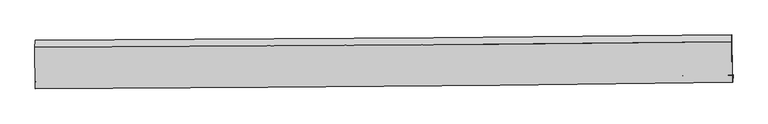
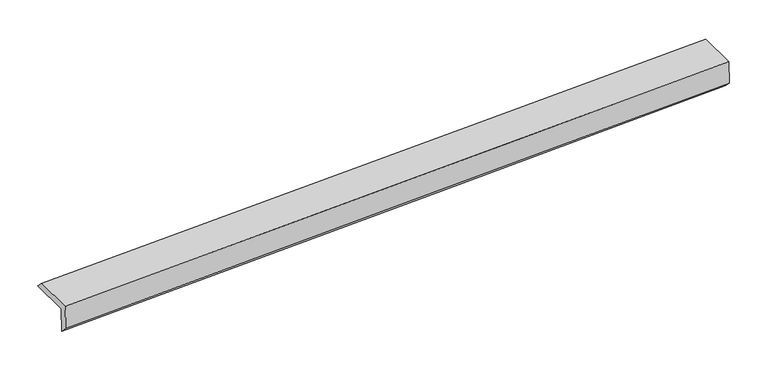
"""IFC4 building model written with IfcOpenShell, lengths in millimetres: proxy geometry."""

from ifc_helpers import new_model, si_unit, frame, origin, place, context, project, spatial, source, transform, mapped, element, save
from ifc_brep_helpers import plane_surface, spline_curve, spline_surface, advanced_brep


def generic_models_a4e368c0(model_context):
    return source(origin(), model_context, "Body", "AdvancedBrep", [
        advanced_brep(
        [(-5941.6295407, -1862.9317545, 1433.198532), (-5954.8541128, -1868.6109307, 1840.5983382), (5393.9133244, -1762.783051, 2220.4712447), (5407.1378965, -1757.1038747, 1813.0714385), (-5944.6701746, -1982.2388154, 1559.086514), (5404.0972626, -1876.4109357, 1938.9594205), (-5957.6580182, -1987.8163307, 1959.193594), (5391.4338259, -1881.8491373, 2329.0727349), (-5963.9956007, -1309.3381644, 1968.4458942), (5385.2830354, -1223.3682394, 2338.0523354), (-5961.1569952, -1193.847628, 1849.7999793), (5387.7972341, -1108.0170166, 2229.4001862)],
        [
            (0, 1),
            (1, 2, spline_curve(3, [(-5954.8541128, -1868.6109307, 1840.5983382), (-3791.061152684, -1854.492770253, 1908.485056862), (-1627.384888609, -1836.910151165, 1978.965079941), (2155.486265099, -1800.11043342, 2106.72998379), (3774.732479839, -1782.4170924, 2162.874262998), (5393.9133244, -1762.783051, 2220.4712447)], [4, 2, 4], [0.0, 21.30804757812098, 37.256010736734])),
            (2, 3),
            (3, 0, spline_curve(3, [(5407.1378965, -1757.1038747, 1813.0714385), (3787.862517198, -1776.778513235, 1758.386720198), (2168.562234222, -1794.495073344, 1703.908068691), (-1614.340691412, -1831.308435483, 1577.121970901), (-3777.962888297, -1848.867835819, 1504.976320333), (-5941.6295407, -1862.9317545, 1433.198532)], [4, 2, 4], [0.0, 15.947963158613017, 37.256010736734])),
            (4, 0),
            (3, 5),
            (5, 4, spline_curve(3, [(5404.0972626, -1876.4109357, 1938.9594205), (3784.821883003, -1896.085574265, 1884.274702356), (2165.521600608, -1913.802134011, 1829.79605051), (-1617.381325695, -1950.615496694, 1703.009952909), (-3781.003521832, -1968.174896516, 1630.864302362), (-5944.6701746, -1982.2388154, 1559.086514)], [4, 2, 4], [0.0, 15.947960166746501, 37.25600374743951])),
            (6, 4),
            (5, 7),
            (7, 6, spline_curve(3, [(5391.4338259, -1881.8491373, 2329.0727349), (3772.098556597, -1901.549495114, 2276.232999397), (2152.744206066, -1919.289273906, 2223.419975642), (-1630.271426605, -1956.15103729, 2100.105955795), (-3793.947691349, -1973.733656414, 2029.625933133), (-5957.6580182, -1987.8163307, 1959.193594)], [4, 2, 4], [0.0, 15.947955411002155, 37.25599263755289])),
            (8, 6),
            (7, 9),
            (9, 8, spline_curve(3, [(5385.2830354, -1223.3682394, 2338.0523354), (3765.913281829, -1239.376833288, 2285.262944209), (2146.52779933, -1253.783734103, 2232.49537003), (-1636.552729603, -1283.697958929, 2109.276093017), (-3800.260126045, -1297.947699806, 2038.84151977), (-5963.9956007, -1309.3381644, 1968.4458942)], [4, 2, 4], [0.0, 15.947963981256432, 37.25601265850994])),
            (10, 8),
            (9, 11),
            (11, 10, spline_curve(3, [(5387.7972341, -1108.0170166, 2229.4001862), (3768.581905196, -1123.959294069, 2171.853548717), (2149.304557994, -1138.31975691, 2115.754719681), (-1633.63149088, -1168.171936815, 1988.084557491), (-3797.338887222, -1182.421677692, 1917.649984854), (-5961.1569952, -1193.847628, 1849.7999793)], [4, 2, 4], [0.0, 15.947963981256432, 37.25601265850994])),
            (1, 10),
            (11, 2),
        ],
        [
            spline_surface(3, 3, [[(-5941.6295407, -1862.9317545, 1433.198532), (-3777.962888272, -1848.867835769, 1504.976320661), (-1614.340691754, -1831.308435762, 1577.121971194), (2168.562234478, -1794.495073136, 1703.908068471), (3787.862517008, -1776.77851317, 1758.386720097), (5407.1378965, -1757.1038747, 1813.0714385)], [(-5946.037731416, -1864.824813265, 1568.998467381), (-3782.328976419, -1850.742813956, 1639.479232729), (-1618.6887573, -1833.175674301, 1711.069674058), (2164.203577941, -1796.366859883, 1838.182040293), (3783.48583787, -1778.658039565, 1893.215901121), (5402.729705784, -1758.996933465, 1948.871373881)], [(-5950.445922084, -1866.717871935, 1704.798402819), (-3786.695064518, -1852.617792047, 1773.982144852), (-1623.036822807, -1835.042912773, 1845.017376905), (2159.844921444, -1798.238646563, 1972.456012097), (3779.109158781, -1780.537565964, 2028.045082202), (5398.321515116, -1760.889992235, 2084.671309319)], [(-5954.8541128, -1868.6109307, 1840.5983382), (-3791.061152666, -1854.492770235, 1908.48505692), (-1627.384888353, -1836.910151313, 1978.96507977), (2155.486264907, -1800.11043331, 2106.729983918), (3774.732479644, -1782.417092359, 2162.874263226), (5393.9133244, -1762.783051, 2220.4712447)]], [4, 4], [4, 2, 4], [0.0, 1.3206964204588163], [0.0, 21.30804757812098, 37.256010736734]),
            spline_surface(3, 3, [[(-5944.6701746, -1982.2388154, 1559.086514), (-3781.003522172, -1968.174896669, 1630.864302661), (-1617.381325654, -1950.615496662, 1703.009953094), (2165.521600578, -1913.802134036, 1829.796050371), (3784.821883108, -1896.08557417, 1884.274702097), (5404.0972626, -1876.4109357, 1938.9594205)], [(-5943.656629959, -1942.469795077, 1517.123853343), (-3779.989977531, -1928.405876346, 1588.901642004), (-1616.367781013, -1910.846476339, 1661.047292437), (2166.535145218, -1874.033113713, 1787.833389714), (3785.835427749, -1856.316553847, 1842.31204144), (5405.110807241, -1836.641915377, 1896.996759843)], [(-5942.643085341, -1902.700774823, 1475.161192657), (-3778.976432913, -1888.636856092, 1546.938981319), (-1615.354236394, -1871.077456085, 1619.084631851), (2167.548689837, -1834.264093459, 1745.870729129), (3786.848972367, -1816.547533493, 1800.349380754), (5406.124351859, -1796.872895023, 1855.034099157)], [(-5941.6295407, -1862.9317545, 1433.198532), (-3777.962888272, -1848.867835769, 1504.976320661), (-1614.340691754, -1831.308435762, 1577.121971194), (2168.562234478, -1794.495073136, 1703.908068471), (3787.862517008, -1776.77851317, 1758.386720097), (5407.1378965, -1757.1038747, 1813.0714385)]], [4, 4], [4, 2, 4], [0.0, 0.5691212761353996], [0.0, 21.308043580693006, 37.25600374743951]),
            spline_surface(3, 3, [[(-5957.6580182, -1987.8163307, 1959.193594), (-3793.947691245, -1973.733656327, 2029.625933154), (-1630.271426832, -1956.151037405, 2100.105956004), (2152.744206236, -1919.289273819, 2223.419975486), (3772.09855656, -1901.549494939, 2276.232999629), (5391.4338259, -1881.8491373, 2329.0727349)], [(-5953.328737015, -1985.957158939, 1825.824567327), (-3789.632968235, -1971.880736447, 1896.70538965), (-1625.974726424, -1954.305857173, 1967.740621703), (2157.003337698, -1917.46022724, 2092.212000451), (3776.339665421, -1899.728188008, 2145.580233797), (5395.654971479, -1880.036403425, 2199.034963445)], [(-5948.999455785, -1984.097987161, 1692.455540673), (-3785.318245182, -1970.027816549, 1763.784846165), (-1621.678026062, -1952.460676894, 1835.375287395), (2161.262469115, -1915.631180615, 1961.004025407), (3780.580774246, -1897.906881102, 2014.92746793), (5399.876117021, -1878.223669575, 2068.997191955)], [(-5944.6701746, -1982.2388154, 1559.086514), (-3781.003522172, -1968.174896669, 1630.864302661), (-1617.381325654, -1950.615496662, 1703.009953094), (2165.521600578, -1913.802134036, 1829.796050371), (3784.821883108, -1896.08557417, 1884.274702097), (5404.0972626, -1876.4109357, 1938.9594205)]], [4, 4], [4, 2, 4], [0.0, 1.2995119402223607], [0.0, 21.308037226550738, 37.25599263755289]),
            plane_surface(frame((-5960.8268094, -1648.5772476, 1963.8197441), z_axis=(-0.0324406818351391, -0.01393136573745033, 0.9993765652699491), x_axis=(0.009339603267106669, -0.9998634202329036, -0.01363498041704349))),
            spline_surface(3, 3, [[(-5961.1569952, -1193.847628, 1849.7999793), (-3797.338887458, -1182.421677445, 1917.649984776), (-1633.631491168, -1168.171936588, 1988.084557796), (2149.30455821, -1138.319757081, 2115.754719453), (3768.581905024, -1123.959294095, 2171.85354873), (5387.7972341, -1108.0170166, 2229.4001862)], [(-5962.103197007, -1232.344473474, 1889.348617586), (-3798.312633658, -1220.930351616, 1958.047163206), (-1634.605237368, -1206.680610759, 2028.481736226), (2148.378971945, -1176.807749391, 2154.668269661), (3767.692363962, -1162.431807109, 2209.656680532), (5386.959167899, -1146.467424188, 2265.617569268)], [(-5963.049398893, -1270.841318926, 1928.897255914), (-3799.286379938, -1259.439025766, 1998.44434168), (-1635.578983547, -1245.189284909, 2068.878914599), (2147.453385702, -1215.29574168, 2193.581819812), (3766.802822802, -1200.90432016, 2247.459812331), (5386.121101601, -1184.917831812, 2301.834952332)], [(-5963.9956007, -1309.3381644, 1968.4458942), (-3800.260126137, -1297.947699937, 2038.84152011), (-1636.552729747, -1283.69795908, 2109.27609303), (2146.527799438, -1253.78373399, 2232.495370021), (3765.91328174, -1239.376833175, 2285.262944133), (5385.2830354, -1223.3682394, 2338.0523354)]], [4, 4], [4, 2, 4], [0.0, 0.5453087390705771], [0.0, 21.308048677253506, 37.25601265850994]),
            spline_surface(3, 3, [[(-5954.8541128, -1868.6109307, 1840.5983382), (-3791.061152666, -1854.492770235, 1908.48505692), (-1627.384888353, -1836.910151313, 1978.96507977), (2155.486264907, -1800.11043331, 2106.729983918), (3774.732479644, -1782.417092359, 2162.874263226), (5393.9133244, -1762.783051, 2220.4712447)], [(-5956.955073598, -1643.689829777, 1843.665551926), (-3793.153730928, -1630.469072615, 1911.540032898), (-1629.467089278, -1613.997413049, 1982.00490577), (2153.425696021, -1579.513541212, 2109.738229087), (3772.682288094, -1562.931159616, 2165.867358417), (5391.874627624, -1544.527706212, 2223.447558556)], [(-5959.056034402, -1418.768728923, 1846.732765574), (-3795.246309196, -1406.445375064, 1914.595008798), (-1631.549290243, -1391.084674851, 1985.044731796), (2151.365127096, -1358.916649179, 2112.746474283), (3770.632096573, -1343.445226837, 2168.860453539), (5389.835930876, -1326.272361388, 2226.423872344)], [(-5961.1569952, -1193.847628, 1849.7999793), (-3797.338887458, -1182.421677445, 1917.649984776), (-1633.631491168, -1168.171936588, 1988.084557796), (2149.30455821, -1138.319757081, 2115.754719453), (3768.581905024, -1123.959294095, 2171.85354873), (5387.7972341, -1108.0170166, 2229.4001862)]], [4, 4], [4, 2, 4], [0.0, 2.186104332617971], [0.0, 21.308052269602083, 37.25601893954421]),
            plane_surface(frame((5394.9437631, -1601.5887091, 2144.8378934), z_axis=(0.9994300245504357, 0.008891452572527409, 0.03256636452332553), x_axis=(0.009339603267106669, -0.9998634202329036, -0.01363498041704349))),
            plane_surface(frame((-5953.9940737, -1700.7972706, 1768.3871419), z_axis=(-0.9994300245504356, -0.008891452572530741, -0.03256636452332647), x_axis=(0.03244068183513917, 0.01393136573744993, -0.9993765652699491))),
        ],
        [
            (0, [[1, 2, 3, 4]]),
            (1, [[5, -4, 6, 7]]),
            (2, [[8, -7, 9, 10]]),
            (3, [[11, -10, 12, 13]]),
            (4, [[14, -13, 15, 16]]),
            (5, [[17, -16, 18, -2]]),
            (6, [[-12, -9, -6, -3, -18, -15]]),
            (7, [[-1, -5, -8, -11, -14, -17]]),
        ],
    ),
    ])


if __name__ == "__main__":
    model = new_model("IFC4")
    model_context = context("Model", 3, world=origin())
    ifc_project = project(units=[si_unit("LENGTHUNIT", "METRE", prefix="MILLI")], contexts=[model_context])
    site = spatial("IfcSite", under=ifc_project)
    building = spatial("IfcBuilding", under=site)
    placement = place(None, origin())
    generic_models_shape = generic_models_a4e368c0(model_context)
    element("IfcBuildingElementProxy", 1, Name="Generic Models", at=placement, inside=building, context=model_context, shape_type="MappedRepresentation", body=[
        mapped(generic_models_shape, transform((0.0, 0.0, 0.0), x_axis=(1.0, 0.0, 0.0), y_axis=(0.0, 1.0, 0.0), z_axis=(0.0, 0.0, 1.0))),
    ])
    save(model, "model.ifc")
